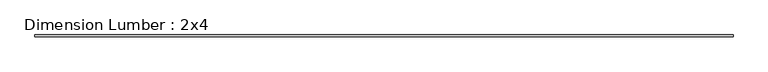
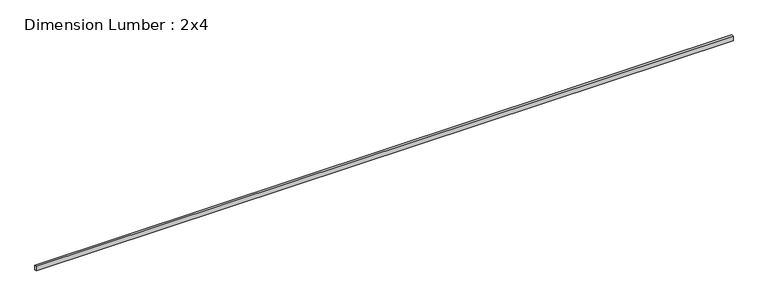
"""IFC4 building model written with IfcOpenShell, lengths in millimetres: beam geometry, Dimension Lumber : 2x4."""

from ifc_helpers import new_model, si_unit, frame, origin, place, context, project, spatial, polyline, outline, extrude, source, transform, mapped, element, save


def dimension_lumber_2x4_39d86580(model_context):
    return source(origin(), model_context, "Body", "SweptSolid", [
        extrude(outline(polyline([(6393.726944, 19.05), (6393.726944, -19.05), (-6400.8, -19.05), (-6400.8, 19.05), (6393.726944, 19.05)])), frame((0.0, 0.0, -44.45), z_axis=(0.0, 0.0, 1.0), x_axis=(1.0, 0.0, 0.0)), (0.0, 0.0, 1.0), 88.9),
    ])


if __name__ == "__main__":
    model = new_model("IFC4")
    model_context = context("Model", 3, world=origin())
    ifc_project = project(units=[si_unit("LENGTHUNIT", "METRE", prefix="MILLI")], contexts=[model_context])
    site = spatial("IfcSite", under=ifc_project)
    building = spatial("IfcBuilding", under=site)
    placement = place(None, origin())
    dimension_lumber_2x4_shape = dimension_lumber_2x4_39d86580(model_context)
    element("IfcBeam", 1, ObjectType="Dimension Lumber : 2x4", at=placement, inside=building, context=model_context, shape_type="MappedRepresentation", body=[
        mapped(dimension_lumber_2x4_shape, transform((0.0, 0.0, 0.0), x_axis=(1.0, 0.0, 0.0), y_axis=(0.0, 1.0, 0.0), z_axis=(0.0, 0.0, 1.0))),
    ])
    save(model, "model.ifc")
